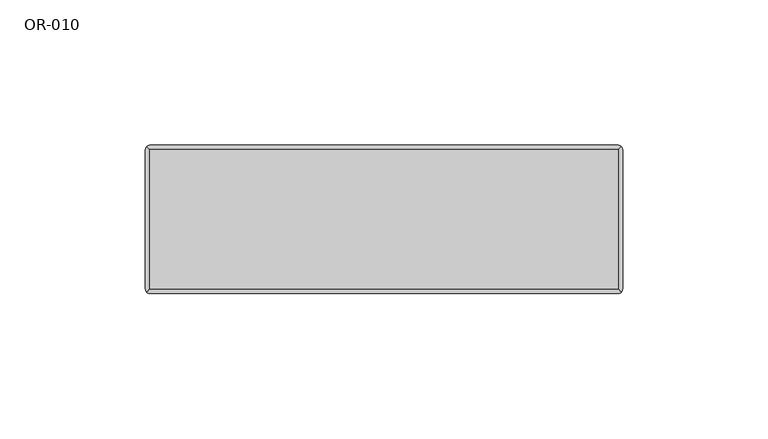
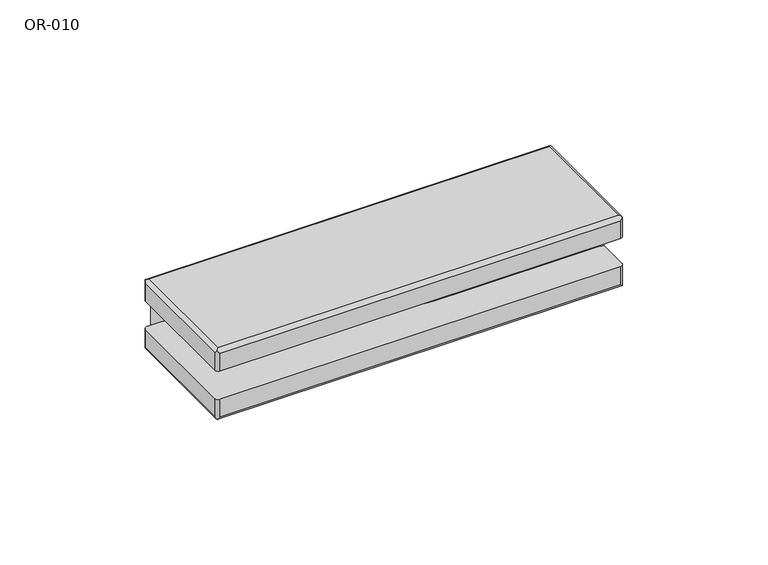
"""IFC4 building model written with IfcOpenShell, lengths in millimetres: proxy geometry, OR-010."""

from ifc_helpers import new_model, si_unit, frame, origin, place, context, project, spatial, polyline, circle_curve, ellipse_curve, source, transform, mapped, element, save
from ifc_brep_helpers import plane_surface, cylinder_surface, revolved_surface, advanced_brep


def or_010_aec4ce9d(model_context):
    return source(origin(), model_context, "Body", "AdvancedBrep", [
        advanced_brep(
        [(80.5, -11.5199676, -12.0), (80.5, 25.5, -12.0), (-80.5, 25.5, -12.0), (-82.0, 24.0, -12.0), (-82.0, -24.0, -12.0), (-80.5, -25.5, -12.0), (80.5, -25.5, -12.0), (82.0, -24.0, -12.0), (82.0, -11.5199676, -12.0), (80.5, 24.0, -21.0), (80.5, -24.0, -21.0), (-80.5, -24.0, -21.0), (-80.5, 24.0, -21.0), (80.5, 25.5, -19.5), (-80.5, 25.5, -19.5), (-82.0, 24.0, -19.5), (-82.0, -24.0, -19.5), (-80.5, -25.5, -19.5), (80.5, -25.5, -19.5), (82.0, -11.5199676, -8.0), (82.0, -24.0, -19.5), (82.0, 24.0, -19.5), (82.0, 24.0, -8.0), (80.5, 25.5, -8.0), (80.5, -11.5199676, -8.0), (81.5606602, -25.0606602, -20.5606602), (81.5606602, 25.0606602, -20.5606602), (-81.5606602, -25.0606602, -20.5606602), (-81.5606602, 25.0606602, -20.5606602)],
        [
            (0, 1),
            (1, 2),
            (2, 3, circle_curve(frame((-80.5, 24.0, -12.0), z_axis=(0.0, 0.0, 1.0), x_axis=(0.0, 1.0, 0.0)), 1.5)),
            (3, 4),
            (4, 5, circle_curve(frame((-80.5, -24.0, -12.0), z_axis=(0.0, 0.0, 1.0), x_axis=(0.0, 1.0, 0.0)), 1.5)),
            (5, 6),
            (6, 7, circle_curve(frame((80.5, -24.0, -12.0), z_axis=(0.0, 0.0, 1.0), x_axis=(0.0, 1.0, 0.0)), 1.5)),
            (7, 8),
            (8, 0),
            (9, 10),
            (10, 11),
            (11, 12),
            (12, 9),
            (1, 13),
            (13, 14),
            (14, 2),
            (3, 15),
            (15, 16),
            (16, 4),
            (5, 17),
            (17, 18),
            (18, 6),
            (19, 8),
            (7, 20),
            (20, 21),
            (21, 22),
            (22, 19),
            (23, 24),
            (24, 19),
            (22, 23, circle_curve(frame((80.5, 24.0, -8.0), z_axis=(0.0, 0.0, 1.0), x_axis=(0.0, 1.0, 0.0)), 1.5)),
            (23, 1),
            (0, 24),
            (18, 25, ellipse_curve(frame((80.5, -24.0, -19.5), z_axis=(0.7071067811865475, 0.0, 0.7071067811865475), x_axis=(-0.7071067811865474, 0.0, 0.7071067811865476)), 2.1213203, 1.5)),
            (25, 20, ellipse_curve(frame((80.5, -24.0, -19.5), z_axis=(0.0, -0.7071067811865475, 0.7071067811865475), x_axis=(0.0, 0.7071067811865474, 0.7071067811865476)), 2.1213203, 1.5)),
            (21, 26, ellipse_curve(frame((80.5, 24.0, -19.5), z_axis=(0.0, 0.7071067811865475, 0.7071067811865475), x_axis=(0.0, -0.7071067811865474, 0.7071067811865476)), 2.1213203, 1.5)),
            (26, 13, ellipse_curve(frame((80.5, 24.0, -19.5), z_axis=(0.7071067811865475, 0.0, 0.7071067811865475), x_axis=(-0.7071067811865474, 0.0, 0.7071067811865476)), 2.1213203, 1.5)),
            (16, 27, ellipse_curve(frame((-80.5, -24.0, -19.5), z_axis=(0.0, -0.7071067811865475, 0.7071067811865475), x_axis=(0.0, 0.7071067811865474, 0.7071067811865476)), 2.1213203, 1.5)),
            (27, 17, ellipse_curve(frame((-80.5, -24.0, -19.5), z_axis=(-0.7071067811865475, 0.0, 0.7071067811865475), x_axis=(0.7071067811865474, 0.0, 0.7071067811865476)), 2.1213203, 1.5)),
            (14, 28, ellipse_curve(frame((-80.5, 24.0, -19.5), z_axis=(-0.7071067811865475, 0.0, 0.7071067811865475), x_axis=(0.7071067811865474, 0.0, 0.7071067811865476)), 2.1213203, 1.5)),
            (28, 15, ellipse_curve(frame((-80.5, 24.0, -19.5), z_axis=(0.0, 0.7071067811865475, 0.7071067811865475), x_axis=(0.0, -0.7071067811865474, 0.7071067811865476)), 2.1213203, 1.5)),
            (25, 10, ellipse_curve(frame((80.5, -24.0, -19.5), z_axis=(0.7071067811865475, 0.7071067811865475, 0.0), x_axis=(0.7071067811865474, -0.7071067811865476, 0.0)), 2.1213203, 1.5)),
            (9, 26, ellipse_curve(frame((80.5, 24.0, -19.5), z_axis=(0.7071067811865475, -0.7071067811865475, 0.0), x_axis=(-0.7071067811865474, -0.7071067811865476, 0.0)), 2.1213203, 1.5)),
            (27, 11, ellipse_curve(frame((-80.5, -24.0, -19.5), z_axis=(0.7071067811865475, -0.7071067811865475, 0.0), x_axis=(-0.7071067811865476, -0.7071067811865474, 0.0)), 2.1213203, 1.5)),
            (28, 12, ellipse_curve(frame((-80.5, 24.0, -19.5), z_axis=(-0.7071067811865475, -0.7071067811865475, 0.0), x_axis=(-0.7071067811865474, 0.7071067811865476, 0.0)), 2.1213203, 1.5)),
        ],
        [
            plane_surface(frame((-82.0, 25.5, -12.0), z_axis=(0.0, 0.0, 1.0), x_axis=(-1.0, 0.0, 0.0))),
            plane_surface(frame((-82.0, 25.5, -21.0), z_axis=(0.0, 0.0, -1.0), x_axis=(1.0, 0.0, 0.0))),
            plane_surface(frame((82.0, 25.5, -12.0), z_axis=(0.0, 1.0, 0.0), x_axis=(0.0, 0.0, -1.0))),
            plane_surface(frame((-82.0, 25.5, -12.0), z_axis=(-1.0, 0.0, 0.0), x_axis=(0.0, 0.0, -1.0))),
            plane_surface(frame((-82.0, -25.5, -12.0), z_axis=(0.0, -1.0, 0.0), x_axis=(0.0, 0.0, -1.0))),
            plane_surface(frame((82.0, -25.5, -12.0), z_axis=(1.0, 0.0, 0.0), x_axis=(0.0, 0.0, -1.0))),
            plane_surface(frame((80.5, 25.5, -8.0), z_axis=(0.0, 0.0, 1.0), x_axis=(0.0, -1.0, 0.0))),
            plane_surface(frame((80.5, 25.5, -8.0), z_axis=(-1.0, 0.0, 0.0), x_axis=(0.0, 0.0, -1.0))),
            plane_surface(frame((80.5, -11.5199676, -8.0), z_axis=(0.0, -1.0, 0.0), x_axis=(0.0, 0.0, -1.0))),
            cylinder_surface(frame((80.5, -24.0, 9.0), z_axis=(0.0, 0.0, 1.0), x_axis=(0.0, 1.0, 0.0)), 1.5),
            cylinder_surface(frame((80.5, 24.0, -12.0), z_axis=(0.0, 0.0, 1.0), x_axis=(0.0, 1.0, 0.0)), 1.5),
            cylinder_surface(frame((-80.5, -24.0, -12.0), z_axis=(0.0, 0.0, 1.0), x_axis=(0.0, 1.0, 0.0)), 1.5),
            cylinder_surface(frame((-80.5, 24.0, -12.0), z_axis=(0.0, 0.0, 1.0), x_axis=(0.0, 1.0, 0.0)), 1.5),
            cylinder_surface(frame((80.5, 25.5, -19.5), z_axis=(0.0, -1.0, 0.0), x_axis=(-1.0, 0.0, 0.0)), 1.5),
            cylinder_surface(frame((82.0, -24.0, -19.5), z_axis=(-1.0, 0.0, 0.0), x_axis=(0.0, 1.0, 0.0)), 1.5),
            cylinder_surface(frame((-80.5, -25.5, -19.5), z_axis=(0.0, 1.0, 0.0), x_axis=(1.0, 0.0, 0.0)), 1.5),
            cylinder_surface(frame((-82.0, 24.0, -19.5), z_axis=(1.0, 0.0, 0.0), x_axis=(0.0, -1.0, 0.0)), 1.5),
        ],
        [
            (0, [[1, 2, 3, 4, 5, 6, 7, 8, 9]]),
            (1, [[10, 11, 12, 13]]),
            (2, [[-2, 14, 15, 16]]),
            (3, [[-4, 17, 18, 19]]),
            (4, [[-6, 20, 21, 22]]),
            (5, [[23, -8, 24, 25, 26, 27]]),
            (6, [[28, 29, -27, 30]]),
            (7, [[-28, 31, -1, 32]]),
            (8, [[-29, -32, -9, -23]]),
            (9, [[-7, -22, 33, 34, -24]]),
            (10, [[-30, -26, 35, 36, -14, -31]]),
            (11, [[-5, -19, 37, 38, -20]]),
            (12, [[-3, -16, 39, 40, -17]]),
            (13, [[41, -10, 42, -35, -25, -34]]),
            (14, [[-41, -33, -21, -38, 43, -11]]),
            (15, [[-43, -37, -18, -40, 44, -12]]),
            (16, [[-44, -39, -15, -36, -42, -13]]),
        ],
    ),
        advanced_brep(
        [(-80.5, -24.0, 9.0), (80.5, -24.0, 9.0), (80.5, 24.0, 9.0), (-80.5, 24.0, 9.0), (80.5, -11.5199676, 0.0), (82.0, -11.5199676, 0.0), (82.0, -24.0, 0.0), (80.5, -25.5, 0.0), (-80.5, -25.5, 0.0), (-82.0, -24.0, 0.0), (-82.0, 24.0, 0.0), (-80.5, 25.5, 0.0), (80.5, 25.5, 0.0), (-80.5, 25.5, 7.5), (80.5, 25.5, 7.5), (-82.0, -24.0, 7.5), (-82.0, 24.0, 7.5), (80.5, -25.5, 7.5), (-80.5, -25.5, 7.5), (82.0, -11.5199676, -4.0), (82.0, 24.0, -4.0), (82.0, 24.0, 7.5), (82.0, -24.0, 7.5), (80.5, -11.5199676, -4.0), (80.5, 25.5, -4.0), (-81.5606602, -25.0606602, 8.5606602), (81.5606602, -25.0606602, 8.5606602), (81.5606602, 25.0606602, 8.5606602), (-81.5606602, 25.0606602, 8.5606602)],
        [
            (0, 1),
            (1, 2),
            (2, 3),
            (3, 0),
            (4, 5),
            (5, 6),
            (6, 7, circle_curve(frame((80.5, -24.0, 0.0), z_axis=(0.0, 0.0, -1.0), x_axis=(0.0, 1.0, 0.0)), 1.5)),
            (7, 8),
            (8, 9, circle_curve(frame((-80.5, -24.0, 0.0), z_axis=(0.0, 0.0, -1.0), x_axis=(0.0, 1.0, 0.0)), 1.5)),
            (9, 10),
            (10, 11, circle_curve(frame((-80.5, 24.0, 0.0), z_axis=(0.0, 0.0, -1.0), x_axis=(0.0, 1.0, 0.0)), 1.5)),
            (11, 12),
            (12, 4),
            (11, 13),
            (13, 14),
            (14, 12),
            (9, 15),
            (15, 16),
            (16, 10),
            (7, 17),
            (17, 18),
            (18, 8),
            (5, 19),
            (19, 20),
            (20, 21),
            (21, 22),
            (22, 6),
            (19, 23),
            (23, 24),
            (24, 20, circle_curve(frame((80.5, 24.0, -4.0), z_axis=(0.0, 0.0, -1.0), x_axis=(0.0, 1.0, 0.0)), 1.5)),
            (4, 23),
            (12, 24),
            (0, 25, ellipse_curve(frame((-80.5, -24.0, 7.5), z_axis=(0.7071067811865475, -0.7071067811865475, 0.0), x_axis=(0.7071067811865476, 0.7071067811865474, 0.0)), 2.1213203, 1.5)),
            (25, 18, ellipse_curve(frame((-80.5, -24.0, 7.5), z_axis=(0.7071067811865475, 0.0, 0.7071067811865475), x_axis=(0.7071067811865476, 0.0, -0.7071067811865474)), 2.1213203, 1.5)),
            (17, 26, ellipse_curve(frame((80.5, -24.0, 7.5), z_axis=(-0.7071067811865475, 0.0, 0.7071067811865475), x_axis=(0.7071067811865476, 0.0, 0.7071067811865474)), 2.1213203, 1.5)),
            (26, 1, ellipse_curve(frame((80.5, -24.0, 7.5), z_axis=(-0.7071067811865475, -0.7071067811865475, 0.0), x_axis=(0.7071067811865476, -0.7071067811865474, 0.0)), 2.1213203, 1.5)),
            (26, 22, ellipse_curve(frame((80.5, -24.0, 7.5), z_axis=(0.0, 0.7071067811865475, 0.7071067811865475), x_axis=(0.0, 0.7071067811865476, -0.7071067811865474)), 2.1213203, 1.5)),
            (21, 27, ellipse_curve(frame((80.5, 24.0, 7.5), z_axis=(0.0, -0.7071067811865475, 0.7071067811865475), x_axis=(0.0, 0.7071067811865476, 0.7071067811865474)), 2.1213203, 1.5)),
            (27, 2, ellipse_curve(frame((80.5, 24.0, 7.5), z_axis=(0.7071067811865475, -0.7071067811865475, 0.0), x_axis=(0.7071067811865474, 0.7071067811865476, 0.0)), 2.1213203, 1.5)),
            (27, 14, ellipse_curve(frame((80.5, 24.0, 7.5), z_axis=(-0.7071067811865475, 0.0, 0.7071067811865475), x_axis=(-0.7071067811865476, 0.0, -0.7071067811865474)), 2.1213203, 1.5)),
            (13, 28, ellipse_curve(frame((-80.5, 24.0, 7.5), z_axis=(0.7071067811865475, 0.0, 0.7071067811865475), x_axis=(-0.7071067811865476, 0.0, 0.7071067811865474)), 2.1213203, 1.5)),
            (28, 3, ellipse_curve(frame((-80.5, 24.0, 7.5), z_axis=(0.7071067811865475, 0.7071067811865475, 0.0), x_axis=(-0.7071067811865476, 0.7071067811865474, 0.0)), 2.1213203, 1.5)),
            (28, 16, ellipse_curve(frame((-80.5, 24.0, 7.5), z_axis=(0.0, -0.7071067811865475, 0.7071067811865475), x_axis=(0.0, -0.7071067811865476, -0.7071067811865474)), 2.1213203, 1.5)),
            (15, 25, ellipse_curve(frame((-80.5, -24.0, 7.5), z_axis=(0.0, 0.7071067811865475, 0.7071067811865475), x_axis=(0.0, -0.7071067811865476, 0.7071067811865474)), 2.1213203, 1.5)),
        ],
        [
            plane_surface(frame((-82.0, 25.5, 9.0), z_axis=(0.0, 0.0, 1.0), x_axis=(-1.0, 0.0, 0.0))),
            plane_surface(frame((-82.0, 25.5, 0.0), z_axis=(0.0, 0.0, -1.0), x_axis=(1.0, 0.0, 0.0))),
            plane_surface(frame((82.0, 25.5, 9.0), z_axis=(0.0, 1.0, 0.0), x_axis=(0.0, 0.0, -1.0))),
            plane_surface(frame((-82.0, 25.5, 9.0), z_axis=(-1.0, 0.0, 0.0), x_axis=(0.0, 0.0, -1.0))),
            plane_surface(frame((-82.0, -25.5, 9.0), z_axis=(0.0, -1.0, 0.0), x_axis=(0.0, 0.0, -1.0))),
            plane_surface(frame((82.0, -25.5, 9.0), z_axis=(1.0, 0.0, 0.0), x_axis=(0.0, 0.0, -1.0))),
            plane_surface(frame((82.0, 25.5, -4.0), z_axis=(0.0, 0.0, -1.0), x_axis=(1.0, 0.0, 0.0))),
            plane_surface(frame((82.0, -11.5199676, -4.0), z_axis=(0.0, -1.0, 0.0), x_axis=(0.0, 0.0, 1.0))),
            plane_surface(frame((80.5, -11.5199676, -4.0), z_axis=(-1.0, 0.0, 0.0), x_axis=(0.0, 0.0, 1.0))),
            cylinder_surface(frame((-82.0, -24.0, 7.5), z_axis=(1.0, 0.0, 0.0), x_axis=(0.0, 1.0, 0.0)), 1.5),
            cylinder_surface(frame((80.5, -25.5, 7.5), z_axis=(0.0, 1.0, 0.0), x_axis=(-1.0, 0.0, 0.0)), 1.5),
            cylinder_surface(frame((82.0, 24.0, 7.5), z_axis=(-1.0, 0.0, 0.0), x_axis=(0.0, -1.0, 0.0)), 1.5),
            cylinder_surface(frame((-80.5, 25.5, 7.5), z_axis=(0.0, -1.0, 0.0), x_axis=(1.0, 0.0, 0.0)), 1.5),
            cylinder_surface(frame((80.5, -24.0, 9.0), z_axis=(0.0, 0.0, 1.0), x_axis=(0.0, 1.0, 0.0)), 1.5),
            cylinder_surface(frame((80.5, 24.0, -12.0), z_axis=(0.0, 0.0, 1.0), x_axis=(0.0, 1.0, 0.0)), 1.5),
            cylinder_surface(frame((-80.5, -24.0, -12.0), z_axis=(0.0, 0.0, 1.0), x_axis=(0.0, 1.0, 0.0)), 1.5),
            cylinder_surface(frame((-80.5, 24.0, -12.0), z_axis=(0.0, 0.0, 1.0), x_axis=(0.0, 1.0, 0.0)), 1.5),
        ],
        [
            (0, [[1, 2, 3, 4]]),
            (1, [[5, 6, 7, 8, 9, 10, 11, 12, 13]]),
            (2, [[-12, 14, 15, 16]]),
            (3, [[-10, 17, 18, 19]]),
            (4, [[-8, 20, 21, 22]]),
            (5, [[23, 24, 25, 26, 27, -6]]),
            (6, [[28, 29, 30, -24]]),
            (7, [[-28, -23, -5, 31]]),
            (8, [[-29, -31, -13, 32]]),
            (9, [[-1, 33, 34, -21, 35, 36]]),
            (10, [[-2, -36, 37, -26, 38, 39]]),
            (11, [[-3, -39, 40, -15, 41, 42]]),
            (12, [[-4, -42, 43, -18, 44, -33]]),
            (13, [[-7, -27, -37, -35, -20]]),
            (14, [[-16, -40, -38, -25, -30, -32]]),
            (15, [[-9, -22, -34, -44, -17]]),
            (16, [[-11, -19, -43, -41, -14]]),
        ],
    ),
        advanced_brep(
        [(13.9895431, -11.5199676, 0.0), (80.5, -11.5199676, 0.0), (80.5, 25.5, 0.0), (-79.0, 25.5, 0.0), (-40.1444524, 9.5726166, 0.0), (13.9895431, -11.5199676, -12.0), (-40.1444524, 9.5726166, -12.0), (-79.0, 25.5, -12.0), (80.5, 25.5, -12.0), (80.5, -11.5199676, -12.0)],
        [
            (0, 1),
            (1, 2),
            (2, 3),
            (3, 4, circle_curve(frame((-78.8529269, -29.4998034, 0.0), z_axis=(0.0, 0.0, -1.0), x_axis=(1.0, 0.0, 0.0)), 55.0)),
            (4, 0, circle_curve(frame((13.9895431, 68.4936178, 0.0), z_axis=(0.0, 0.0, 1.0), x_axis=(1.0, 0.0, 0.0)), 80.0135854)),
            (5, 6, circle_curve(frame((13.9895431, 68.4936178, -12.0), z_axis=(0.0, 0.0, -1.0), x_axis=(1.0, 0.0, 0.0)), 80.0135854)),
            (6, 7, circle_curve(frame((-78.8529269, -29.4998034, -12.0), z_axis=(0.0, 0.0, 1.0), x_axis=(1.0, 0.0, 0.0)), 55.0)),
            (7, 8),
            (8, 9),
            (9, 5),
            (0, 5),
            (9, 1),
            (8, 2),
            (7, 3),
            (6, 4),
        ],
        [
            plane_surface(frame((80.5, -11.5199676, 0.0), z_axis=(0.0, 0.0, 1.0), x_axis=(1.0, 0.0, 0.0))),
            plane_surface(frame((80.5, -11.5199676, -12.0), z_axis=(0.0, 0.0, -1.0), x_axis=(-1.0, 0.0, 0.0))),
            plane_surface(frame((13.9895431, -11.5199676, 0.0), z_axis=(0.0, -1.0, 0.0), x_axis=(0.0, 0.0, -1.0))),
            plane_surface(frame((80.5, -11.5199676, 0.0), z_axis=(1.0, 0.0, 0.0), x_axis=(0.0, 0.0, -1.0))),
            plane_surface(frame((80.5, 25.5, 0.0), z_axis=(0.0, 1.0, 0.0), x_axis=(0.0, 0.0, -1.0))),
            revolved_surface(polyline([(-23.8529269, -29.4998034, -12.0), (-23.8529269, -29.4998034, 0.0)]), (-78.8529269, -29.4998034, -12.0), (0.0, 0.0, -1.0)),
            cylinder_surface(frame((13.9895431, 68.4936178, -12.0), z_axis=(0.0, 0.0, 1.0), x_axis=(1.0, 0.0, 0.0)), 80.0135854),
        ],
        [
            (0, [[1, 2, 3, 4, 5]]),
            (1, [[6, 7, 8, 9, 10]]),
            (2, [[-1, 11, -10, 12]]),
            (3, [[-2, -12, -9, 13]]),
            (4, [[-3, -13, -8, 14]]),
            (5, [[-4, -14, -7, 15]]),
            (6, [[-5, -15, -6, -11]]),
        ],
    ),
    ])


if __name__ == "__main__":
    model = new_model("IFC4")
    model_context = context("Model", 3, world=origin())
    ifc_project = project(units=[si_unit("LENGTHUNIT", "METRE", prefix="MILLI")], contexts=[model_context])
    site = spatial("IfcSite", under=ifc_project)
    building = spatial("IfcBuilding", under=site)
    placement = place(None, origin())
    or_010_shape = or_010_aec4ce9d(model_context)
    element("IfcBuildingElementProxy", 1, Name="OR-010", ObjectType="OR-010", at=placement, inside=building, context=model_context, shape_type="MappedRepresentation", body=[
        mapped(or_010_shape, transform((0.0, 0.0, 0.0), x_axis=(1.0, 0.0, 0.0), y_axis=(0.0, 1.0, 0.0), z_axis=(0.0, 0.0, 1.0))),
    ])
    save(model, "model.ifc")
